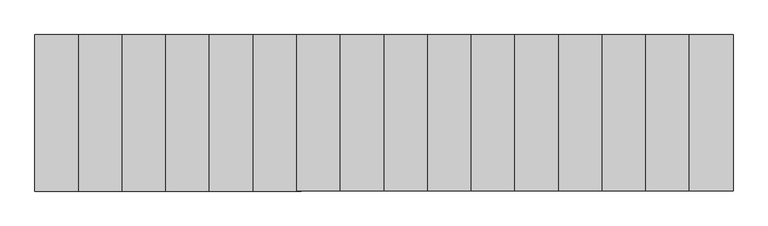
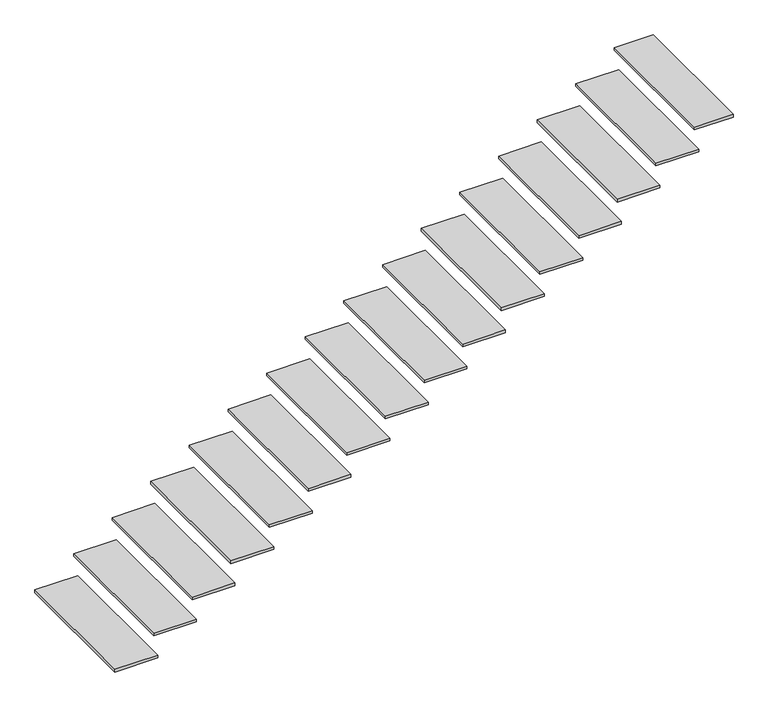
"""IFC4 building model written with IfcOpenShell, lengths in millimetres: stair flight geometry."""

from ifc_helpers import new_model, si_unit, frame, origin, place, context, project, spatial, polyline, outline, extrude, source, transform, mapped, element, save


def stair_flight_d08d9726(model_context):
    return source(origin(), model_context, "Body", "SweptSolid", [
        extrude(outline(polyline([(90328.75, 1000.0), (90328.75, 0.0), (90020.0, 0.0), (90020.0, 1000.0), (90328.75, 1000.0)])), frame((0.0, 0.0, 158.125), z_axis=(0.0, 0.0, 1.0), x_axis=(1.0, 0.0, 0.0)), (0.0, 0.0, 1.0), 20.0),
        extrude(outline(polyline([(90607.5, 1000.0), (90607.5, 0.0), (90298.75, 0.0), (90298.75, 1000.0), (90607.5, 1000.0)])), frame((0.0, 0.0, 336.25), z_axis=(0.0, 0.0, 1.0), x_axis=(1.0, 0.0, 0.0)), (0.0, 0.0, 1.0), 20.0),
        extrude(outline(polyline([(90886.25, 1000.0), (90886.25, 0.0), (90577.5, 0.0), (90577.5, 1000.0), (90886.25, 1000.0)])), frame((0.0, 0.0, 514.375), z_axis=(0.0, 0.0, 1.0), x_axis=(1.0, 0.0, 0.0)), (0.0, 0.0, 1.0), 20.0),
        extrude(outline(polyline([(91165.0, 1000.0), (91165.0, 0.0), (90856.25, 0.0), (90856.25, 1000.0), (91165.0, 1000.0)])), frame((0.0, 0.0, 692.5), z_axis=(0.0, 0.0, 1.0), x_axis=(1.0, 0.0, 0.0)), (0.0, 0.0, 1.0), 20.0),
        extrude(outline(polyline([(91443.75, 1000.0), (91443.75, 0.0), (91135.0, 0.0), (91135.0, 1000.0), (91443.75, 1000.0)])), frame((0.0, 0.0, 870.625), z_axis=(0.0, 0.0, 1.0), x_axis=(1.0, 0.0, 0.0)), (0.0, 0.0, 1.0), 20.0),
        extrude(outline(polyline([(91722.5, 1000.0), (91722.5, 0.0), (91413.75, 0.0), (91413.75, 1000.0), (91722.5, 1000.0)])), frame((0.0, 0.0, 1048.75), z_axis=(0.0, 0.0, 1.0), x_axis=(1.0, 0.0, 0.0)), (0.0, 0.0, 1.0), 20.0),
        extrude(outline(polyline([(92001.25, 1000.0), (92001.25, 0.0), (91692.5, 0.0), (91692.5, 1000.0), (92001.25, 1000.0)])), frame((0.0, 0.0, 1226.875), z_axis=(0.0, 0.0, 1.0), x_axis=(1.0, 0.0, 0.0)), (0.0, 0.0, 1.0), 20.0),
        extrude(outline(polyline([(92280.0, 1000.0), (92280.0, 0.0), (91971.25, 0.0), (91971.25, 1000.0), (92280.0, 1000.0)])), frame((0.0, 0.0, 1405.0), z_axis=(0.0, 0.0, 1.0), x_axis=(1.0, 0.0, 0.0)), (0.0, 0.0, 1.0), 20.0),
        extrude(outline(polyline([(92558.75, 1000.0), (92558.75, 0.0), (92250.0, 0.0), (92250.0, 1000.0), (92558.75, 1000.0)])), frame((0.0, 0.0, 1583.125), z_axis=(0.0, 0.0, 1.0), x_axis=(1.0, 0.0, 0.0)), (0.0, 0.0, 1.0), 20.0),
        extrude(outline(polyline([(92837.5, 1000.0), (92837.5, 0.0), (92528.75, 0.0), (92528.75, 1000.0), (92837.5, 1000.0)])), frame((0.0, 0.0, 1761.25), z_axis=(0.0, 0.0, 1.0), x_axis=(1.0, 0.0, 0.0)), (0.0, 0.0, 1.0), 20.0),
        extrude(outline(polyline([(93116.25, 1000.0), (93116.25, 0.0), (92807.5, 0.0), (92807.5, 1000.0), (93116.25, 1000.0)])), frame((0.0, 0.0, 1939.375), z_axis=(0.0, 0.0, 1.0), x_axis=(1.0, 0.0, 0.0)), (0.0, 0.0, 1.0), 20.0),
        extrude(outline(polyline([(93395.0, 1000.0), (93395.0, 0.0), (93086.25, 0.0), (93086.25, 1000.0), (93395.0, 1000.0)])), frame((0.0, 0.0, 2117.5), z_axis=(0.0, 0.0, 1.0), x_axis=(1.0, 0.0, 0.0)), (0.0, 0.0, 1.0), 20.0),
        extrude(outline(polyline([(93673.75, 1000.0), (93673.75, 0.0), (93365.0, 0.0), (93365.0, 1000.0), (93673.75, 1000.0)])), frame((0.0, 0.0, 2295.625), z_axis=(0.0, 0.0, 1.0), x_axis=(1.0, 0.0, 0.0)), (0.0, 0.0, 1.0), 20.0),
        extrude(outline(polyline([(93952.5, 1000.0), (93952.5, 0.0), (93643.75, 0.0), (93643.75, 1000.0), (93952.5, 1000.0)])), frame((0.0, 0.0, 2473.75), z_axis=(0.0, 0.0, 1.0), x_axis=(1.0, 0.0, 0.0)), (0.0, 0.0, 1.0), 20.0),
        extrude(outline(polyline([(94231.25, 1000.0), (94231.25, 0.0), (93922.5, 0.0), (93922.5, 1000.0), (94231.25, 1000.0)])), frame((0.0, 0.0, 2651.875), z_axis=(0.0, 0.0, 1.0), x_axis=(1.0, 0.0, 0.0)), (0.0, 0.0, 1.0), 20.0),
        extrude(outline(polyline([(94480.0, 1000.0), (94480.0, 0.0), (94201.25, 0.0), (94201.25, 1000.0), (94480.0, 1000.0)])), frame((0.0, 0.0, 2830.0), z_axis=(0.0, 0.0, 1.0), x_axis=(1.0, 0.0, 0.0)), (0.0, 0.0, 1.0), 20.0),
    ])


if __name__ == "__main__":
    model = new_model("IFC4")
    model_context = context("Model", 3, world=origin())
    ifc_project = project(units=[si_unit("LENGTHUNIT", "METRE", prefix="MILLI")], contexts=[model_context])
    site = spatial("IfcSite", under=ifc_project)
    building = spatial("IfcBuilding", under=site)
    placement = place(None, origin())
    stair_flight_shape = stair_flight_d08d9726(model_context)
    element("IfcStairFlight", 1, at=placement, inside=building, context=model_context, shape_type="MappedRepresentation", body=[
        mapped(stair_flight_shape, transform((0.0, 0.0, 0.0), x_axis=(1.0, 0.0, 0.0), y_axis=(0.0, 1.0, 0.0), z_axis=(0.0, 0.0, 1.0))),
    ])
    save(model, "model.ifc")
